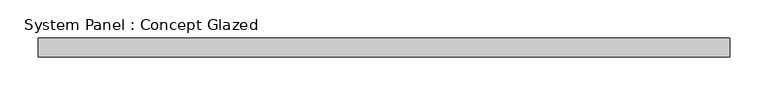
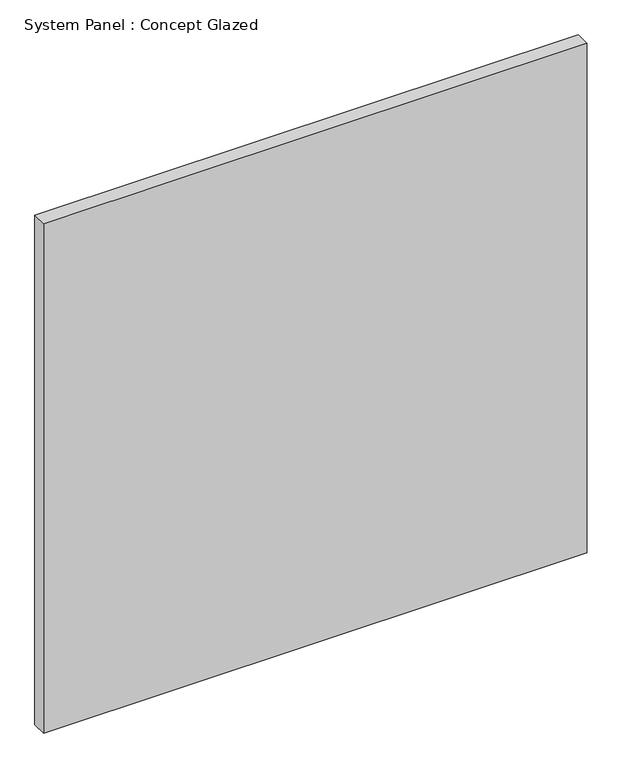
"""IFC4 building model written with IfcOpenShell, lengths in millimetres: plate geometry, System Panel : Concept Glazed."""

import ifcopenshell
import ifcopenshell.guid

model = None  # the IFC model being written
_history = None  # IfcOwnerHistory: only IFC2X3 demands one
_inside = {}  # id of a spatial element -> (the spatial element, [elements in it])
_under = {}  # id of a project, library or spatial element -> (it, [spatial elements below it])
_declared = {}  # id of a project -> (the project, [libraries it declares])
_typed = {}  # id of a type object -> (the type object, [elements of that type])
_made_of = {}  # id of a material, layer set ... -> (it, [elements and type objects made of it])


def new_model(schema):
    """Start an empty IFC model of exactly this schema.

    Asked for "IFC4X3", IfcOpenShell would pick the latest addendum, in which some entities
    have other attributes; the version numbers below select the first issue.
    IFC2X3 requires an IfcOwnerHistory on every rooted entity: one is made here for all.
    """
    global model, _history
    if schema == "IFC4X3":
        model = ifcopenshell.file(schema_version=(4, 3, 0, 0))
    else:
        model = ifcopenshell.file(schema=schema)
    _inside.clear()
    _under.clear()
    _declared.clear()
    _typed.clear()
    _made_of.clear()
    _history = None
    if model.schema == "IFC2X3":
        org = make("IfcOrganization", Name="unknown")
        user = make(
            "IfcPersonAndOrganization",
            ThePerson=make("IfcPerson", FamilyName="unknown"),
            TheOrganization=org,
        )
        app = make(
            "IfcApplication",
            ApplicationDeveloper=org,
            Version="unknown",
            ApplicationFullName="unknown",
            ApplicationIdentifier="unknown",
        )
        _history = make(
            "IfcOwnerHistory",
            OwningUser=user,
            OwningApplication=app,
            ChangeAction="ADDED",
            CreationDate=0,
        )
    return model


def make(cls, **values):
    """One entity of the class cls with the attributes given. An attribute that is None is left unset."""
    return model.create_entity(
        cls, **{name: value for name, value in values.items() if value is not None}
    )


def rooted(cls, **values):
    """An entity with a GlobalId (a new one), such as an element, a storey or a relation."""
    return make(cls, GlobalId=ifcopenshell.guid.new(), OwnerHistory=_history, **values)


def si_unit(unit_type, name, prefix=None):
    """IfcSIUnit, for example si_unit("LENGTHUNIT", "METRE", prefix="MILLI")."""
    return make("IfcSIUnit", UnitType=unit_type, Prefix=prefix, Name=name)


def assignment(units):
    """IfcUnitAssignment: the units of a project."""
    return None if units is None else make("IfcUnitAssignment", Units=units)


def point(xyz):
    """IfcCartesianPoint."""
    return None if xyz is None else make("IfcCartesianPoint", Coordinates=xyz)


def direction(xyz):
    """IfcDirection."""
    return None if xyz is None else make("IfcDirection", DirectionRatios=xyz)


def frame(location, z_axis=None, x_axis=None):
    """IfcAxis2Placement3D, a coordinate frame: its origin and axes. An axis left out is left unset."""
    return make(
        "IfcAxis2Placement3D",
        Location=point(location),
        Axis=direction(z_axis),
        RefDirection=direction(x_axis),
    )


def origin():
    """The frame at (0, 0, 0) with its axes left unset."""
    return frame((0.0, 0.0, 0.0))


def origin_with_axes():
    """The frame at (0, 0, 0) with the z axis (0, 0, 1) and the x axis (1, 0, 0) written out."""
    return frame((0.0, 0.0, 0.0), z_axis=(0.0, 0.0, 1.0), x_axis=(1.0, 0.0, 0.0))


def place(relative_to, where):
    """IfcLocalPlacement: puts the frame where relative to a parent placement (None: the world)."""
    return make(
        "IfcLocalPlacement", PlacementRelTo=relative_to, RelativePlacement=where
    )


def context(
    kind, dimensions, precision=None, world=None, true_north=None, identifier=None
):
    """IfcGeometricRepresentationContext, for example the 3D "Model" context."""
    return make(
        "IfcGeometricRepresentationContext",
        ContextIdentifier=identifier,
        ContextType=kind,
        CoordinateSpaceDimension=dimensions,
        Precision=precision,
        WorldCoordinateSystem=world,
        TrueNorth=true_north,
    )


def project(units=None, contexts=None):
    """IfcProject with its units and contexts."""
    return rooted(
        "IfcProject",
        Name="project",
        RepresentationContexts=contexts,
        UnitsInContext=assignment(units),
    )


def spatial(cls, under=None, at=None, **own):
    """A site, building, storey or space (cls), placed at a placement, below another one or the project."""
    s = rooted(cls, ObjectPlacement=at, **own)
    if under is not None:
        _under.setdefault(under.id(), (under, []))[1].append(s)
    return s


def polyline(points):
    """IfcPolyline through the points."""
    return make("IfcPolyline", Points=[point(p) for p in points])


def outline(outer, holes=None, kind="AREA"):
    """IfcArbitraryClosedProfileDef: a profile drawn as a closed curve; with holes, ...WithVoids."""
    if holes is None:
        return make("IfcArbitraryClosedProfileDef", ProfileType=kind, OuterCurve=outer)
    return make(
        "IfcArbitraryProfileDefWithVoids",
        ProfileType=kind,
        OuterCurve=outer,
        InnerCurves=holes,
    )


def extrude(swept, where, along, depth):
    """IfcExtrudedAreaSolid: the profile swept, set in the frame where, extruded along a direction by depth."""
    return make(
        "IfcExtrudedAreaSolid",
        SweptArea=swept,
        Position=where,
        ExtrudedDirection=direction(along),
        Depth=depth,
    )


def shape(context_of_items, identifier, shape_type, items):
    """IfcShapeRepresentation: the items that make up one representation, for example the "Body"."""
    return make(
        "IfcShapeRepresentation",
        ContextOfItems=context_of_items,
        RepresentationIdentifier=identifier,
        RepresentationType=shape_type,
        Items=items,
    )


def source(mapping_origin, context_of_items, identifier, shape_type, items):
    """IfcRepresentationMap: a shape defined once, which mapped items show again and again."""
    return make(
        "IfcRepresentationMap",
        MappingOrigin=mapping_origin,
        MappedRepresentation=shape(context_of_items, identifier, shape_type, items),
    )


def transform(
    local_origin,
    x_axis=None,
    y_axis=None,
    z_axis=None,
    scale=None,
    scale2=None,
    scale3=None,
    uniform=True,
):
    """IfcCartesianTransformationOperator3D, or its non-uniform kind. x_axis, y_axis, z_axis: its Axis1, 2, 3."""
    if uniform:
        return make(
            "IfcCartesianTransformationOperator3D",
            Axis1=direction(x_axis),
            Axis2=direction(y_axis),
            LocalOrigin=point(local_origin),
            Scale=scale,
            Axis3=direction(z_axis),
        )
    return make(
        "IfcCartesianTransformationOperator3DnonUniform",
        Axis1=direction(x_axis),
        Axis2=direction(y_axis),
        LocalOrigin=point(local_origin),
        Scale=scale,
        Axis3=direction(z_axis),
        Scale2=scale2,
        Scale3=scale3,
    )


def mapped(mapping_source, mapping_target):
    """IfcMappedItem: shows the shape of a source again, moved by a transform."""
    return make(
        "IfcMappedItem", MappingSource=mapping_source, MappingTarget=mapping_target
    )


def made_of(thing, what):
    """Note that an element or type object is made of a material, layer set ...; save() writes the relation."""
    if what is not None:
        _made_of.setdefault(what.id(), (what, []))[1].append(thing)
    return thing


def element(
    cls,
    number,
    at=None,
    inside=None,
    cuts=None,
    type_object=None,
    material=None,
    context=None,
    identifier="Body",
    shape_type=None,
    held_by="IfcProductDefinitionShape",
    body=None,
    shapes=None,
    **own,
):
    """One element of the class cls, such as IfcWall. Its Tag is "e" and its number.

    at: its placement. inside: the storey or other place that contains it. cuts: it is an
    opening in that element (IfcRelVoidsElement). A single representation is given by context,
    identifier, shape_type and body (its items); several are given by shapes. held_by: the class
    of the entity that holds the representations. save() writes the other relations.
    """
    e = rooted(cls, Tag="e%d" % number, ObjectPlacement=at, **own)
    if body is not None:
        shapes = [shape(context, identifier, shape_type, body)]
    if shapes is not None:
        e.Representation = make(held_by, Representations=shapes)
    if inside is not None:
        _inside.setdefault(inside.id(), (inside, []))[1].append(e)
    if cuts is not None:
        rooted(
            "IfcRelVoidsElement", RelatingBuildingElement=cuts, RelatedOpeningElement=e
        )
    if type_object is not None:
        _typed.setdefault(type_object.id(), (type_object, []))[1].append(e)
    return made_of(e, material)


def aggregate(whole, parts):
    """IfcRelAggregates: a whole, such as a stair, and the parts it consists of."""
    return rooted("IfcRelAggregates", RelatingObject=whole, RelatedObjects=parts)


def save(model, path):
    """Write the relations noted so far, then the file.

    IfcRelAggregates (storeys below a building ...), IfcRelContainedInSpatialStructure (elements
    in a storey), IfcRelDefinesByType, IfcRelAssociatesMaterial and IfcRelDeclares: one each for
    every whole, place, type object, material and project.
    """
    for whole, parts in _under.values():
        aggregate(whole, parts)
    for where, things in _inside.values():
        rooted(
            "IfcRelContainedInSpatialStructure",
            RelatedElements=things,
            RelatingStructure=where,
        )
    for kind, things in _typed.values():
        rooted("IfcRelDefinesByType", RelatedObjects=things, RelatingType=kind)
    for what, things in _made_of.values():
        rooted("IfcRelAssociatesMaterial", RelatedObjects=things, RelatingMaterial=what)
    for by, libraries in _declared.values():
        rooted("IfcRelDeclares", RelatingContext=by, RelatedDefinitions=libraries)
    model.write(path)


def system_panel_concept_glazed_9f7f85f8(model_context):
    return source(origin(), model_context, "Body", "SweptSolid", [
        extrude(outline(polyline([(454.375, 0.0), (-454.375, 0.0), (-454.375, 25.0), (454.375, 25.0), (454.375, 0.0)])), origin_with_axes(), (0.0, 0.0, 1.0), 900.0),
    ])


if __name__ == "__main__":
    model = new_model("IFC4")
    model_context = context("Model", 3, world=origin())
    ifc_project = project(units=[si_unit("LENGTHUNIT", "METRE", prefix="MILLI")], contexts=[model_context])
    site = spatial("IfcSite", under=ifc_project)
    building = spatial("IfcBuilding", under=site)
    placement = place(None, origin())
    system_panel_concept_glazed_shape = system_panel_concept_glazed_9f7f85f8(model_context)
    element("IfcPlate", 1, ObjectType="System Panel : Concept Glazed", at=placement, inside=building, context=model_context, shape_type="MappedRepresentation", body=[
        mapped(system_panel_concept_glazed_shape, transform((0.0, 0.0, 0.0), x_axis=(1.0, 0.0, 0.0), y_axis=(0.0, 1.0, 0.0), z_axis=(0.0, 0.0, 1.0))),
    ])
    save(model, "model.ifc")
